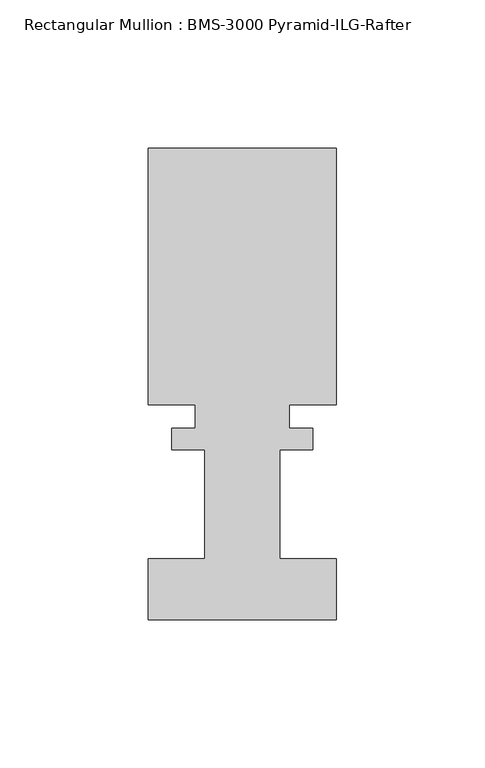
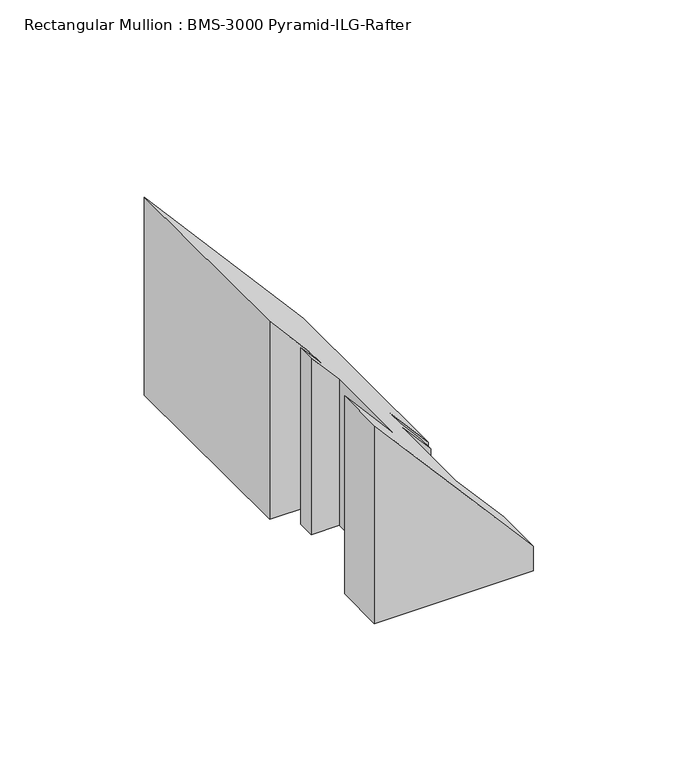
"""IFC4 building model written with IfcOpenShell, lengths in millimetres: member geometry, Rectangular Mullion : BMS-3000 Pyramid-ILG-Rafter."""

from ifc_helpers import new_model, si_unit, origin, place, context, project, spatial, faceted_brep, source, transform, mapped, element, save


def rectangular_mullion_bms_3000_pyramid_ilg_rafter_9d070e39(model_context):
    return source(origin(), model_context, "Body", "Brep", [
        faceted_brep([(23.8252, 61.3362375, -188.6108964), (23.8252, 54.0742188, -188.6108964), (12.7, 54.0742187, -188.6108964), (12.7, 17.3180375, -188.6108964), (31.75, 17.2799375, -188.6108964), (31.75, -3.3575625, -188.6108964), (-31.75, -3.3575625, -188.6108964), (-31.75, 17.3180375, -188.6108964), (-12.7, 17.3180375, -188.6108964), (-12.7, 54.0742188, -188.6108964), (-23.8252, 54.0742187, -188.6108964), (-23.8252, 61.3362375, -188.6108964), (-15.875, 61.3362375, -188.6108964), (-15.875, 69.2356375, -188.6108964), (-31.75, 69.2356375, -188.6108964), (-31.75, 155.7734375, -188.6108964), (31.75, 155.7734375, -188.6108964), (31.75, 69.2356375, -188.6108964), (15.875, 69.2356375, -188.6108964), (15.875, 61.3362375, -188.6108964), (15.875, 61.3362375, -159.9748342), (23.8252, 61.3362375, -169.1549344), (15.875, 69.2356375, -159.9748342), (31.75, 69.2356375, -178.3057053), (31.75, 155.7734375, -178.3057053), (-31.75, 155.7734375, -104.9822211), (-31.75, 69.2356375, -104.9822211), (-15.875, 69.2356375, -123.3130921), (-15.875, 61.3362375, -123.3130921), (-23.8252, 61.3362375, -114.1329919), (-23.8252, 54.0742187, -114.1329919), (-12.7, 54.0742187, -126.9792663), (-12.7, 17.3180375, -126.9792663), (-31.75, 17.3180375, -104.9822211), (-31.75, -3.3575625, -104.9822211), (31.75, -3.3575625, -178.3057053), (31.75, 17.2799375, -178.3057053), (12.7, 17.3180375, -156.30866), (12.7, 54.0742187, -156.30866), (23.8252, 54.0742187, -169.1549344)], [[[0, 1, 2, 3, 4, 5, 6, 7, 8, 9, 10, 11, 12, 13, 14, 15, 16, 17, 18, 19]], [[20, 21, 0, 19]], [[22, 20, 19, 18]], [[23, 22, 18, 17]], [[24, 23, 17, 16]], [[25, 24, 16, 15]], [[26, 25, 15, 14]], [[27, 26, 14, 13]], [[28, 27, 13, 12]], [[29, 28, 12, 11]], [[30, 29, 11, 10]], [[31, 30, 10, 9]], [[32, 31, 9, 8]], [[33, 32, 8, 7]], [[34, 33, 7, 6]], [[35, 34, 6, 5]], [[36, 35, 5, 4]], [[37, 36, 4, 3]], [[38, 37, 3, 2]], [[39, 38, 2, 1]], [[21, 39, 1, 0]], [[21, 20, 22, 23, 24, 25, 26, 27, 28, 29, 30, 31, 32, 33, 34, 35, 36, 37, 38, 39]]]),
    ])


if __name__ == "__main__":
    model = new_model("IFC4")
    model_context = context("Model", 3, world=origin())
    ifc_project = project(units=[si_unit("LENGTHUNIT", "METRE", prefix="MILLI")], contexts=[model_context])
    site = spatial("IfcSite", under=ifc_project)
    building = spatial("IfcBuilding", under=site)
    placement = place(None, origin())
    rectangular_mullion_bms_3000_pyramid_ilg_rafter_shape = rectangular_mullion_bms_3000_pyramid_ilg_rafter_9d070e39(model_context)
    element("IfcMember", 1, ObjectType="Rectangular Mullion : BMS-3000 Pyramid-ILG-Rafter", at=placement, inside=building, context=model_context, shape_type="MappedRepresentation", body=[
        mapped(rectangular_mullion_bms_3000_pyramid_ilg_rafter_shape, transform((0.0, 0.0, 0.0), x_axis=(1.0, 0.0, 0.0), y_axis=(0.0, 1.0, 0.0), z_axis=(0.0, 0.0, 1.0))),
    ])
    save(model, "model.ifc")
